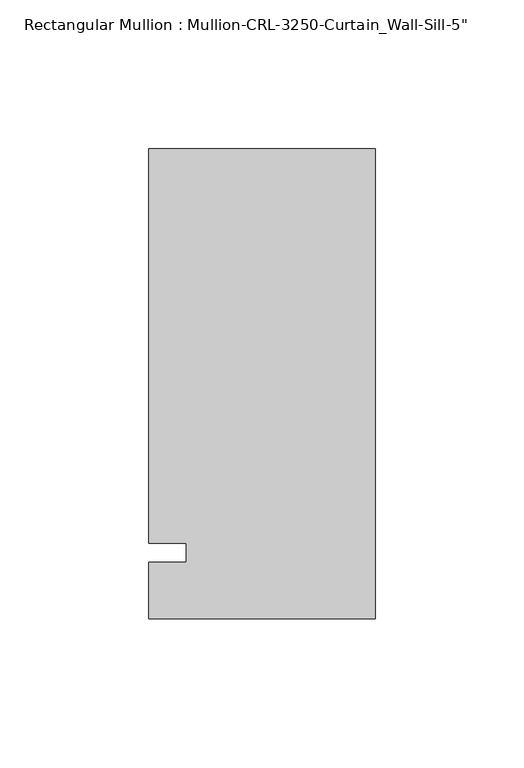
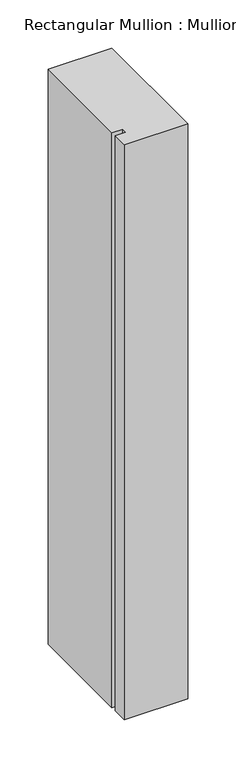
"""IFC4 building model written with IfcOpenShell, lengths in millimetres: member geometry."""

from ifc_helpers import new_model, si_unit, frame, origin, place, context, project, spatial, polyline, outline, extrude, source, transform, mapped, element, save


def member_955c831f(model_context):
    return source(origin(), model_context, "Body", "SweptSolid", [
        extrude(outline(polyline([(-76.199997, -3.175), (-63.499997, -3.175), (-63.499997, 3.175), (-76.199997, 3.175), (-76.199997, 136.0175661), (0.0, 136.0175661), (0.0, -22.2254168), (-76.199997, -22.2254168), (-76.199997, -3.175)])), frame((0.0, 0.0, -730.0666715), z_axis=(0.0, 0.0, 1.0), x_axis=(1.0, 0.0, 0.0)), (0.0, 0.0, 1.0), 730.0666715),
    ])


if __name__ == "__main__":
    model = new_model("IFC4")
    model_context = context("Model", 3, world=origin())
    ifc_project = project(units=[si_unit("LENGTHUNIT", "METRE", prefix="MILLI")], contexts=[model_context])
    site = spatial("IfcSite", under=ifc_project)
    building = spatial("IfcBuilding", under=site)
    placement = place(None, origin())
    member_shape = member_955c831f(model_context)
    element("IfcMember", 1, ObjectType="Rectangular Mullion : Mullion-CRL-3250-Curtain_Wall-Sill-5\"", at=placement, inside=building, context=model_context, shape_type="MappedRepresentation", body=[
        mapped(member_shape, transform((0.0, 0.0, 0.0), x_axis=(1.0, 0.0, 0.0), y_axis=(0.0, 1.0, 0.0), z_axis=(0.0, 0.0, 1.0))),
    ])
    save(model, "model.ifc")
